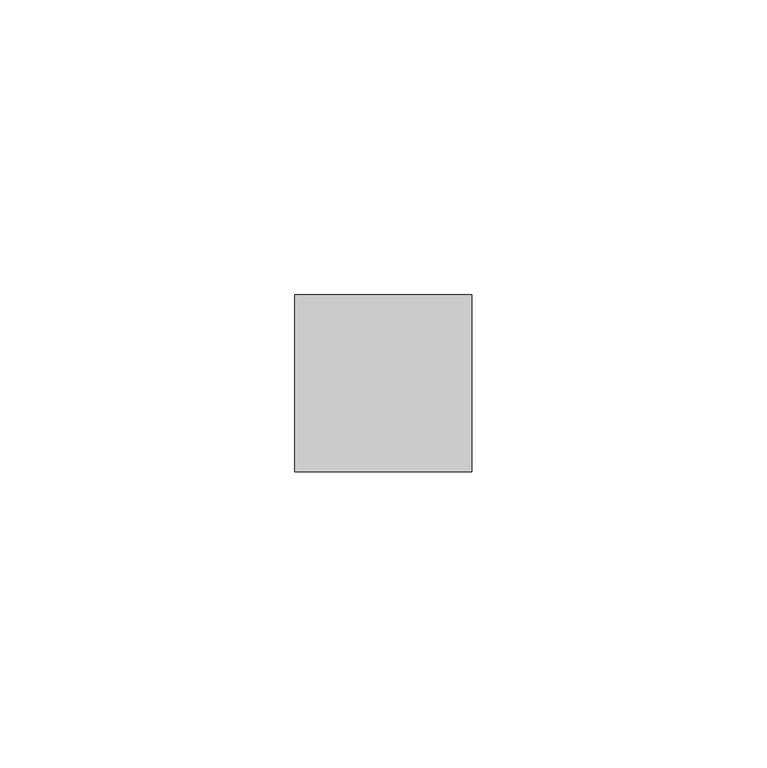
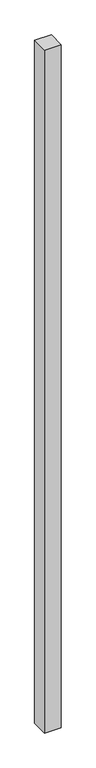
"""IFC4 building model written with IfcOpenShell, lengths in millimetres: member geometry."""

from ifc_helpers import new_model, si_unit, frame, origin, place, context, project, spatial, polyline, outline, extrude, source, transform, mapped, element, save


def member_ef8c66b5(model_context):
    return source(origin(), model_context, "Body", "SweptSolid", [
        extrude(outline(polyline([(15.0, 15.0), (15.0, -15.0), (-15.0, -15.0), (-15.0, 15.0), (15.0, 15.0)])), frame((0.0, 0.0, -1293.5353444), z_axis=(0.0, 0.0, 1.0), x_axis=(1.0, 0.0, 0.0)), (0.0, 0.0, 1.0), 1293.5353444),
    ])


if __name__ == "__main__":
    model = new_model("IFC4")
    model_context = context("Model", 3, world=origin())
    ifc_project = project(units=[si_unit("LENGTHUNIT", "METRE", prefix="MILLI")], contexts=[model_context])
    site = spatial("IfcSite", under=ifc_project)
    building = spatial("IfcBuilding", under=site)
    placement = place(None, origin())
    member_shape = member_ef8c66b5(model_context)
    element("IfcMember", 1, at=placement, inside=building, context=model_context, shape_type="MappedRepresentation", body=[
        mapped(member_shape, transform((0.0, 0.0, 0.0), x_axis=(1.0, 0.0, 0.0), y_axis=(0.0, 1.0, 0.0), z_axis=(0.0, 0.0, 1.0))),
    ])
    save(model, "model.ifc")
